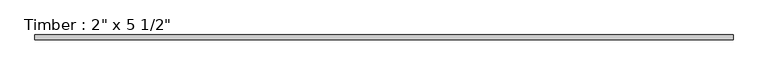
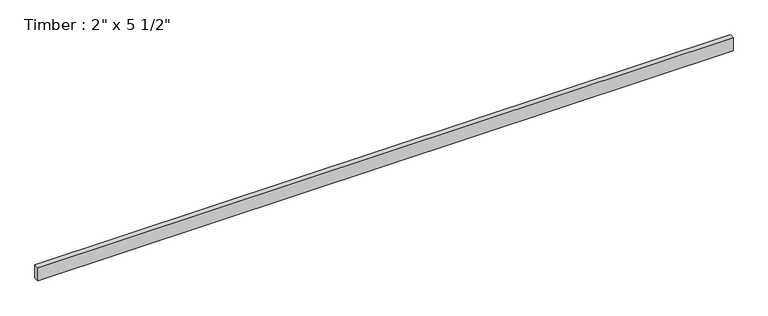
"""IFC4 building model written with IfcOpenShell, lengths in millimetres: beam geometry."""

from ifc_helpers import new_model, si_unit, frame, origin, place, context, project, spatial, polyline, outline, extrude, source, transform, mapped, element, save


def beam_37b6be15(model_context):
    return source(origin(), model_context, "Body", "SweptSolid", [
        extrude(outline(polyline([(3488.9522718, 25.4), (3488.9522718, -25.4), (-3488.9522718, -25.4), (-3488.9522718, 25.4), (3488.9522718, 25.4)])), frame((0.0, 0.0, -69.85), z_axis=(0.0, 0.0, 1.0), x_axis=(1.0, 0.0, 0.0)), (0.0, 0.0, 1.0), 139.7),
    ])


if __name__ == "__main__":
    model = new_model("IFC4")
    model_context = context("Model", 3, world=origin())
    ifc_project = project(units=[si_unit("LENGTHUNIT", "METRE", prefix="MILLI")], contexts=[model_context])
    site = spatial("IfcSite", under=ifc_project)
    building = spatial("IfcBuilding", under=site)
    placement = place(None, origin())
    beam_shape = beam_37b6be15(model_context)
    element("IfcBeam", 1, ObjectType="Timber : 2\" x 5 1/2\"", at=placement, inside=building, context=model_context, shape_type="MappedRepresentation", body=[
        mapped(beam_shape, transform((0.0, 0.0, 0.0), x_axis=(1.0, 0.0, 0.0), y_axis=(0.0, 1.0, 0.0), z_axis=(0.0, 0.0, 1.0))),
    ])
    save(model, "model.ifc")
